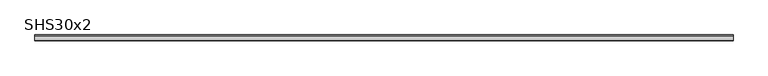
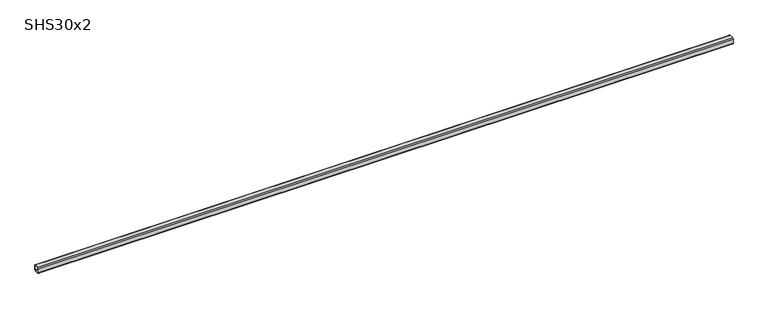
"""IFC4 building model written with IfcOpenShell, lengths in millimetres: beam geometry, SHS30x2."""

from ifc_helpers import new_model, si_unit, point, frame, frame_2d, origin, place, context, project, spatial, polyline, circle_curve, trimmed, segment, composite_curve, outline, extrude, source, transform, mapped, element, save


def shs30x2_ad5fcc2b(model_context):
    return source(origin(), model_context, "Body", "SweptSolid", [
        extrude(outline(composite_curve([segment(polyline([(15.0, 11.0), (15.0, -11.0)]), True, "CONTINUOUS"), segment(trimmed(circle_curve(frame_2d((11.0, -11.0)), 4.0), [point((15.0, -11.0))], [point((11.0, -15.0))], False, "CARTESIAN"), True, "CONTINUOUS"), segment(polyline([(11.0, -15.0), (-11.0, -15.0)]), True, "CONTINUOUS"), segment(trimmed(circle_curve(frame_2d((-11.0, -11.0)), 4.0), [point((-11.0, -15.0))], [point((-15.0, -11.0))], False, "CARTESIAN"), True, "CONTINUOUS"), segment(polyline([(-15.0, -11.0), (-15.0, 11.0)]), True, "CONTINUOUS"), segment(trimmed(circle_curve(frame_2d((-11.0, 11.0)), 4.0), [point((-15.0, 11.0))], [point((-11.0, 15.0))], False, "CARTESIAN"), True, "CONTINUOUS"), segment(polyline([(-11.0, 15.0), (11.0, 15.0)]), True, "CONTINUOUS"), segment(trimmed(circle_curve(frame_2d((11.0, 11.0)), 4.0), [point((11.0, 15.0))], [point((15.0, 11.0))], False, "CARTESIAN"), True, "CONTINUOUS")], self_intersect=False), holes=[composite_curve([segment(trimmed(circle_curve(frame_2d((-11.0, 11.0)), 2.0), [point((-11.0, 13.0))], [point((-13.0, 11.0))], True, "CARTESIAN"), True, "CONTINUOUS"), segment(polyline([(-13.0, 11.0), (-13.0, -11.0)]), True, "CONTINUOUS"), segment(trimmed(circle_curve(frame_2d((-11.0, -11.0)), 2.0), [point((-13.0, -11.0))], [point((-11.0, -13.0))], True, "CARTESIAN"), True, "CONTINUOUS"), segment(polyline([(-11.0, -13.0), (11.0, -13.0)]), True, "CONTINUOUS"), segment(trimmed(circle_curve(frame_2d((11.0, -11.0)), 2.0), [point((11.0, -13.0))], [point((13.0, -11.0))], True, "CARTESIAN"), True, "CONTINUOUS"), segment(polyline([(13.0, -11.0), (13.0, 11.0)]), True, "CONTINUOUS"), segment(trimmed(circle_curve(frame_2d((11.0, 11.0)), 2.0), [point((13.0, 11.0))], [point((11.0, 13.0))], True, "CARTESIAN"), True, "CONTINUOUS"), segment(polyline([(11.0, 13.0), (-11.0, 13.0)]), True, "CONTINUOUS")], self_intersect=False)]), frame((-1691.5, 0.0, 0.0), z_axis=(1.0, 0.0, 0.0), x_axis=(0.0, 1.0, 0.0)), (0.0, 0.0, 1.0), 3462.0),
    ])


if __name__ == "__main__":
    model = new_model("IFC4")
    model_context = context("Model", 3, world=origin())
    ifc_project = project(units=[si_unit("LENGTHUNIT", "METRE", prefix="MILLI")], contexts=[model_context])
    site = spatial("IfcSite", under=ifc_project)
    building = spatial("IfcBuilding", under=site)
    placement = place(None, origin())
    shs30x2_shape = shs30x2_ad5fcc2b(model_context)
    element("IfcBeam", 1, ObjectType="SHS30x2", at=placement, inside=building, context=model_context, shape_type="MappedRepresentation", body=[
        mapped(shs30x2_shape, transform((0.0, 0.0, 0.0), x_axis=(1.0, 0.0, 0.0), y_axis=(0.0, 1.0, 0.0), z_axis=(0.0, 0.0, 1.0))),
    ])
    save(model, "model.ifc")
